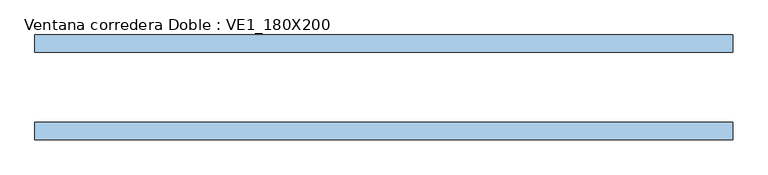
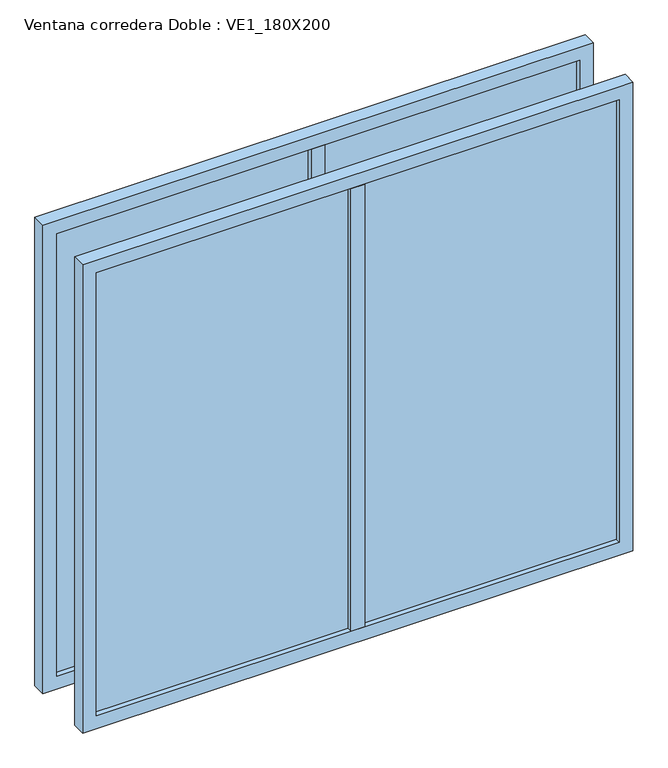
"""IFC4 building model written with IfcOpenShell, lengths in millimetres: window geometry, Ventana corredera Doble : VE1_180X200."""

from ifc_helpers import new_model, si_unit, frame, origin, place, context, project, spatial, polyline, outline, extrude, source, transform, mapped, element, save


def ventana_corredera_doble_ve1_180x200_9a6f8c4f(model_context):
    return source(origin(), model_context, "Body", "SweptSolid", [
        extrude(outline(polyline([(-25.0, 150.0), (25.0, 150.0), (25.0, 100.0), (-25.0, 100.0), (-25.0, 150.0)])), frame((0.0, 0.0, 850.0), z_axis=(0.0, 0.0, 1.0), x_axis=(1.0, 0.0, 0.0)), (0.0, 0.0, 1.0), 1700.0),
        extrude(outline(polyline([(950.0, 131.5), (950.0, 118.5), (-950.0, 118.5), (-950.0, 131.5), (950.0, 131.5)])), frame((0.0, 0.0, 850.0), z_axis=(0.0, 0.0, 1.0), x_axis=(1.0, 0.0, 0.0)), (0.0, 0.0, 1.0), 1700.0),
        extrude(outline(polyline([(2600.0, 1000.0), (2600.0, -1000.0), (800.0, -1000.0), (800.0, 1000.0), (2600.0, 1000.0)]), holes=[polyline([(850.0, 950.0), (850.0, -950.0), (2550.0, -950.0), (2550.0, 950.0), (850.0, 950.0)])]), frame((0.0, 100.0, 0.0), z_axis=(0.0, 1.0, 0.0), x_axis=(0.0, 0.0, 1.0)), (0.0, 0.0, 1.0), 50.0),
        extrude(outline(polyline([(-25.0, -150.0), (-25.0, -100.0), (25.0, -100.0), (25.0, -150.0), (-25.0, -150.0)])), frame((0.0, 0.0, 850.0), z_axis=(0.0, 0.0, 1.0), x_axis=(1.0, 0.0, 0.0)), (0.0, 0.0, 1.0), 1700.0),
        extrude(outline(polyline([(950.0, -131.5), (-950.0, -131.5), (-950.0, -118.5), (950.0, -118.5), (950.0, -131.5)])), frame((0.0, 0.0, 850.0), z_axis=(0.0, 0.0, 1.0), x_axis=(1.0, 0.0, 0.0)), (0.0, 0.0, 1.0), 1700.0),
        extrude(outline(polyline([(800.0, 1000.0), (2600.0, 1000.0), (2600.0, -1000.0), (800.0, -1000.0), (800.0, 1000.0)]), holes=[polyline([(2550.0, 950.0), (850.0, 950.0), (850.0, -950.0), (2550.0, -950.0), (2550.0, 950.0)])]), frame((0.0, -150.0, 0.0), z_axis=(0.0, 1.0, 0.0), x_axis=(0.0, 0.0, 1.0)), (0.0, 0.0, 1.0), 50.0),
    ])


if __name__ == "__main__":
    model = new_model("IFC4")
    model_context = context("Model", 3, world=origin())
    ifc_project = project(units=[si_unit("LENGTHUNIT", "METRE", prefix="MILLI")], contexts=[model_context])
    site = spatial("IfcSite", under=ifc_project)
    building = spatial("IfcBuilding", under=site)
    placement = place(None, origin())
    ventana_corredera_doble_ve1_180x200_shape = ventana_corredera_doble_ve1_180x200_9a6f8c4f(model_context)
    element("IfcWindow", 1, ObjectType="Ventana corredera Doble : VE1_180X200", at=placement, inside=building, context=model_context, shape_type="MappedRepresentation", body=[
        mapped(ventana_corredera_doble_ve1_180x200_shape, transform((0.0, 0.0, 0.0), x_axis=(1.0, 0.0, 0.0), y_axis=(0.0, 1.0, 0.0), z_axis=(0.0, 0.0, 1.0))),
    ])
    save(model, "model.ifc")
